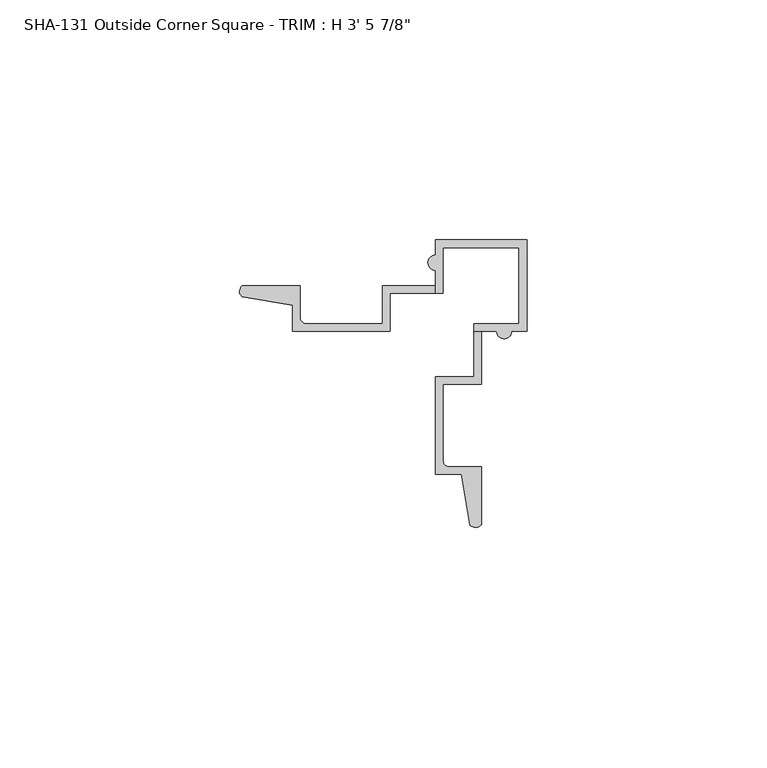
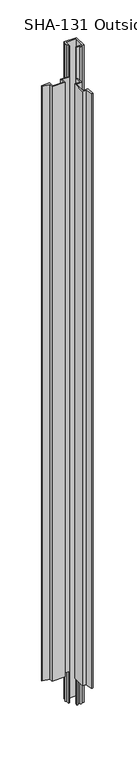
"""IFC4 building model written with IfcOpenShell, lengths in millimetres: proxy geometry."""

from ifc_helpers import new_model, si_unit, frame, origin, place, context, project, spatial, polyline, circle_curve, source, transform, mapped, element, save
from ifc_brep_helpers import plane_surface, cylinder_surface, revolved_surface, advanced_brep


def proxy_40e3e2f9(model_context):
    return source(origin(), model_context, "Body", "AdvancedBrep", [
        advanced_brep(
        [(23.2694099, 10.5950686, 1063.625), (26.4190099, 10.5950686, 1063.625), (29.6067099, 10.5950686, 1063.625), (29.6067099, 29.6450686, 1063.625), (10.5567099, 29.6450686, 1063.625), (10.5567099, 26.4573686, 1063.625), (10.5567099, 23.3077686, 1063.625), (10.5567099, 18.5452686, 1063.625), (12.1315099, 18.5452686, 1063.625), (12.1315099, 27.9991664, 1063.625), (27.9608077, 27.9991664, 1063.625), (27.9608077, 12.1698686, 1063.625), (18.5069099, 12.1698686, 1063.625), (18.5069099, 10.5950686, 1063.625), (18.5069099, 12.1698686, 0.0), (27.9608077, 12.1698686, 0.0), (27.9608077, 27.9991664, 0.0), (12.1315099, 27.9991664, 0.0), (12.1315099, 18.5452686, 0.0), (10.5567099, 18.5452686, 0.0), (10.5567099, 23.3077686, 0.0), (10.5567099, 26.4573686, 0.0), (10.5567099, 29.6450686, 0.0), (29.6067099, 29.6450686, 0.0), (29.6067099, 10.5950686, 0.0), (26.4190099, 10.5950686, 0.0), (23.2694099, 10.5950686, 0.0), (20.0817099, 10.5950686, 0.0), (20.0817099, 9.0202686, 0.0), (18.5069099, 9.0202686, 0.0), (20.0817099, -29.7559555, 1012.825), (20.0817099, -29.7559555, 50.8), (20.0817099, -17.6711524, 50.8), (20.0817099, -17.6711524, 1012.825), (13.4015099, -17.6711524, 50.8), (13.4015099, -17.6711524, 1012.825), (12.1315099, -16.4011524, 50.8), (12.1315099, -16.4011524, 1012.825), (12.1315099, -0.5047314, 50.8), (12.1315099, -0.5047314, 1012.825), (20.0817099, -0.5047314, 50.8), (20.0817099, -0.5047314, 1012.825), (20.0817099, 10.5950686, 1012.825), (20.0817099, 9.0202686, 50.8), (18.5069099, 10.5950686, 1012.825), (10.5567099, 18.5452686, 50.8), (10.5567099, 20.1200686, 50.8), (10.5567099, 20.1200686, 1012.825), (10.5567099, 18.5452686, 1012.825), (-0.5430901, 20.1200686, 50.8), (-0.5430901, 20.1200686, 1012.825), (-0.5430901, 12.1698686, 50.8), (-0.5430901, 12.1698686, 1012.825), (-16.4395111, 12.1698686, 50.8), (-16.4395111, 12.1698686, 1012.825), (-17.7095111, 13.4398686, 50.8), (-17.7095111, 13.4398686, 1012.825), (-17.7095111, 20.1200686, 50.8), (-17.7095111, 20.1200686, 1012.825), (-29.7943143, 20.1200686, 50.8), (-29.7943143, 20.1200686, 1012.825), (-29.8603981, 17.7986994, 50.8), (-29.8603981, 17.7986994, 1012.825), (-19.2843111, 15.9877256, 50.8), (-19.2843111, 15.9877256, 1012.825), (-19.2843111, 10.5950686, 50.8), (-19.2843111, 10.5950686, 1012.825), (1.0317099, 10.5950686, 50.8), (1.0317099, 10.5950686, 1012.825), (1.0317099, 18.5452686, 50.8), (1.0317099, 18.5452686, 1012.825), (18.5069099, 9.0202686, 50.8), (18.5069099, 1.0700686, 50.8), (18.5069099, 1.0700686, 1012.825), (10.5567099, 1.0700686, 50.8), (10.5567099, 1.0700686, 1012.825), (10.5567099, -19.2459524, 50.8), (10.5567099, -19.2459524, 1012.825), (15.9493669, -19.2459524, 50.8), (15.9493669, -19.2459524, 1012.825), (17.7603407, -29.8220393, 50.8), (17.7603407, -29.8220393, 1012.825)],
        [
            (0, 1, circle_curve(frame((24.8442099, 10.5950686, 1063.625), z_axis=(0.0, 0.0, 1.0), x_axis=(1.0, 0.0, 0.0)), 1.5748)),
            (1, 2),
            (2, 3),
            (3, 4),
            (4, 5),
            (5, 6, circle_curve(frame((10.5567099, 24.8825686, 1063.625), z_axis=(0.0, 0.0, 1.0), x_axis=(1.0, 0.0, 0.0)), 1.5748)),
            (6, 7),
            (7, 8),
            (8, 9),
            (9, 10),
            (10, 11),
            (11, 12),
            (12, 13),
            (13, 0),
            (14, 15),
            (15, 16),
            (16, 17),
            (17, 18),
            (18, 19),
            (19, 20),
            (20, 21, circle_curve(frame((10.5567099, 24.8825686, 0.0), z_axis=(0.0, 0.0, -1.0), x_axis=(1.0, 0.0, 0.0)), 1.5748)),
            (21, 22),
            (22, 23),
            (23, 24),
            (24, 25),
            (25, 26, circle_curve(frame((24.8442099, 10.5950686, 0.0), z_axis=(0.0, 0.0, -1.0), x_axis=(1.0, 0.0, 0.0)), 1.5748)),
            (26, 27),
            (27, 28),
            (28, 29),
            (29, 14),
            (30, 31),
            (31, 32),
            (32, 33),
            (33, 30),
            (32, 34),
            (34, 35),
            (35, 33),
            (34, 36, circle_curve(frame((13.4015099, -16.4011524, 50.8), z_axis=(0.0, 0.0, -1.0), x_axis=(1.0, 0.0, 0.0)), 1.27)),
            (36, 37),
            (37, 35, circle_curve(frame((13.4015099, -16.4011524, 1012.825), z_axis=(0.0, 0.0, 1.0), x_axis=(1.0, 0.0, 0.0)), 1.27)),
            (36, 38),
            (38, 39),
            (39, 37),
            (38, 40),
            (40, 41),
            (41, 39),
            (27, 42),
            (42, 41),
            (40, 43),
            (43, 28),
            (26, 0),
            (13, 44),
            (44, 42),
            (25, 1),
            (24, 2),
            (23, 3),
            (22, 4),
            (21, 5),
            (20, 6),
            (19, 45),
            (45, 46),
            (46, 47),
            (47, 48),
            (48, 7),
            (46, 49),
            (49, 50),
            (50, 47),
            (49, 51),
            (51, 52),
            (52, 50),
            (51, 53),
            (53, 54),
            (54, 52),
            (53, 55, circle_curve(frame((-16.4395111, 13.4398686, 50.8), z_axis=(0.0, 0.0, -1.0), x_axis=(1.0, 0.0, 0.0)), 1.27)),
            (55, 56),
            (56, 54, circle_curve(frame((-16.4395111, 13.4398686, 1012.825), z_axis=(0.0, 0.0, 1.0), x_axis=(1.0, 0.0, 0.0)), 1.27)),
            (55, 57),
            (57, 58),
            (58, 56),
            (57, 59),
            (59, 60),
            (60, 58),
            (59, 61, circle_curve(frame((-28.7035566, 18.9273922, 50.8), z_axis=(0.0, 0.0, 1.0), x_axis=(1.0, 0.0, 0.0)), 1.6162393)),
            (61, 62),
            (62, 60, circle_curve(frame((-28.7035566, 18.9273922, 1012.825), z_axis=(0.0, 0.0, -1.0), x_axis=(1.0, 0.0, 0.0)), 1.6162393)),
            (61, 63),
            (63, 64),
            (64, 62),
            (63, 65),
            (65, 66),
            (66, 64),
            (65, 67),
            (67, 68),
            (68, 66),
            (67, 69),
            (69, 70),
            (70, 68),
            (18, 8),
            (48, 70),
            (69, 45),
            (17, 9),
            (16, 10),
            (15, 11),
            (14, 12),
            (29, 71),
            (71, 72),
            (72, 73),
            (73, 44),
            (72, 74),
            (74, 75),
            (75, 73),
            (74, 76),
            (76, 77),
            (77, 75),
            (76, 78),
            (78, 79),
            (79, 77),
            (78, 80),
            (80, 81),
            (81, 79),
            (30, 81, circle_curve(frame((18.8890334, -28.6651978, 1012.825), z_axis=(0.0, 0.0, -1.0), x_axis=(1.0, 0.0, 0.0)), 1.6162393)),
            (80, 31, circle_curve(frame((18.8890334, -28.6651978, 50.8), z_axis=(0.0, 0.0, 1.0), x_axis=(1.0, 0.0, 0.0)), 1.6162393)),
            (43, 71),
        ],
        [
            plane_surface(frame((20.0817099, -29.7559555, 1063.625), z_axis=(0.0, 0.0, 1.0), x_axis=(0.0, 1.0, 0.0))),
            plane_surface(frame((20.0817099, -29.7559555, 0.0), z_axis=(0.0, 0.0, -1.0), x_axis=(0.0, -1.0, 0.0))),
            plane_surface(frame((20.0817099, -29.7559555, 1063.625), z_axis=(1.0, 0.0, 0.0), x_axis=(0.0, 0.0, -1.0))),
            plane_surface(frame((20.0817099, -17.6711524, 1063.625), z_axis=(0.0, 1.0, 0.0), x_axis=(0.0, 0.0, -1.0))),
            revolved_surface(polyline([(14.6715099, -16.4011524, 50.8), (14.6715099, -16.4011524, 1012.825)]), (13.4015099, -16.4011524, 0.0), (0.0, 0.0, -1.0)),
            plane_surface(frame((12.1315099, -16.4011524, 1063.625), z_axis=(1.0, 0.0, 0.0), x_axis=(0.0, 0.0, -1.0))),
            plane_surface(frame((12.1315099, -0.5047314, 1063.625), z_axis=(0.0, -1.0, 0.0), x_axis=(0.0, 0.0, -1.0))),
            plane_surface(frame((20.0817099, -0.5047314, 1063.625), z_axis=(1.0, 0.0, 0.0), x_axis=(0.0, 0.0, -1.0))),
            plane_surface(frame((20.0817099, 10.5950686, 1063.625), z_axis=(0.0, -1.0, 0.0), x_axis=(0.0, 0.0, -1.0))),
            cylinder_surface(frame((24.8442099, 10.5950686, 0.0), z_axis=(0.0, 0.0, 1.0), x_axis=(1.0, 0.0, 0.0)), 1.5748),
            plane_surface(frame((26.4190099, 10.5950686, 1063.625), z_axis=(0.0, -1.0, 0.0), x_axis=(0.0, 0.0, -1.0))),
            plane_surface(frame((29.6067099, 10.5950686, 1063.625), z_axis=(1.0, 0.0, 0.0), x_axis=(0.0, 0.0, -1.0))),
            plane_surface(frame((29.6067099, 29.6450686, 1063.625), z_axis=(0.0, 1.0, 0.0), x_axis=(0.0, 0.0, -1.0))),
            plane_surface(frame((10.5567099, 29.6450686, 1063.625), z_axis=(-1.0, 0.0, 0.0), x_axis=(0.0, 0.0, -1.0))),
            cylinder_surface(frame((10.5567099, 24.8825686, 0.0), z_axis=(0.0, 0.0, 1.0), x_axis=(1.0, 0.0, 0.0)), 1.5748),
            plane_surface(frame((10.5567099, 23.3077686, 1063.625), z_axis=(-1.0, 0.0, 0.0), x_axis=(0.0, 0.0, -1.0))),
            plane_surface(frame((10.5567099, 20.1200686, 1063.625), z_axis=(0.0, 1.0, 0.0), x_axis=(0.0, 0.0, -1.0))),
            plane_surface(frame((-0.5430901, 20.1200686, 1063.625), z_axis=(-1.0, 0.0, 0.0), x_axis=(0.0, 0.0, -1.0))),
            plane_surface(frame((-0.5430901, 12.1698686, 1063.625), z_axis=(0.0, 1.0, 0.0), x_axis=(0.0, 0.0, -1.0))),
            revolved_surface(polyline([(-15.169511100000001, 13.4398686, 50.8), (-15.169511100000001, 13.4398686, 1012.825)]), (-16.4395111, 13.4398686, 0.0), (0.0, 0.0, -1.0)),
            plane_surface(frame((-17.7095111, 13.4398686, 1063.625), z_axis=(1.0, 0.0, 0.0), x_axis=(0.0, 0.0, -1.0))),
            plane_surface(frame((-17.7095111, 20.1200686, 1063.625), z_axis=(0.0, 1.0, 0.0), x_axis=(0.0, 0.0, -1.0))),
            cylinder_surface(frame((-28.7035566, 18.9273922, 0.0), z_axis=(0.0, 0.0, 1.0), x_axis=(1.0, 0.0, 0.0)), 1.6162393),
            plane_surface(frame((-29.8603981, 17.7986994, 1063.625), z_axis=(-0.1687764314038584, -0.9856543593991652, 0.0), x_axis=(0.0, 0.0, -1.0))),
            plane_surface(frame((-19.2843111, 15.9877256, 1063.625), z_axis=(-1.0, 0.0, 0.0), x_axis=(0.0, 0.0, -1.0))),
            plane_surface(frame((-19.2843111, 10.5950686, 1063.625), z_axis=(0.0, -1.0, 0.0), x_axis=(0.0, 0.0, -1.0))),
            plane_surface(frame((1.0317099, 10.5950686, 1063.625), z_axis=(1.0, 0.0, 0.0), x_axis=(0.0, 0.0, -1.0))),
            plane_surface(frame((1.0317099, 18.5452686, 1063.625), z_axis=(0.0, -1.0, 0.0), x_axis=(0.0, 0.0, -1.0))),
            plane_surface(frame((12.1315099, 18.5452686, 1063.625), z_axis=(1.0, 0.0, 0.0), x_axis=(0.0, 0.0, -1.0))),
            plane_surface(frame((12.1315099, 27.9991664, 1063.625), z_axis=(0.0, -1.0, 0.0), x_axis=(0.0, 0.0, -1.0))),
            plane_surface(frame((27.9608077, 27.9991664, 1063.625), z_axis=(-1.0, 0.0, 0.0), x_axis=(0.0, 0.0, -1.0))),
            plane_surface(frame((27.9608077, 12.1698686, 1063.625), z_axis=(0.0, 1.0, 0.0), x_axis=(0.0, 0.0, -1.0))),
            plane_surface(frame((18.5069099, 12.1698686, 1063.625), z_axis=(-1.0, 0.0, 0.0), x_axis=(0.0, 0.0, -1.0))),
            plane_surface(frame((18.5069099, 1.0700686, 1063.625), z_axis=(0.0, 1.0, 0.0), x_axis=(0.0, 0.0, -1.0))),
            plane_surface(frame((10.5567099, 1.0700686, 1063.625), z_axis=(-1.0, 0.0, 0.0), x_axis=(0.0, 0.0, -1.0))),
            plane_surface(frame((10.5567099, -19.2459524, 1063.625), z_axis=(0.0, -1.0, 0.0), x_axis=(0.0, 0.0, -1.0))),
            plane_surface(frame((15.9493669, -19.2459524, 1063.625), z_axis=(-0.9856543593990748, -0.16877643140438725, 0.0), x_axis=(0.0, 0.0, -1.0))),
            cylinder_surface(frame((18.8890334, -28.6651978, 0.0), z_axis=(0.0, 0.0, 1.0), x_axis=(1.0, 0.0, 0.0)), 1.6162393),
            plane_surface(frame((20.0817099, -30.4647293, 1012.825), z_axis=(0.0, 0.0, 1.0), x_axis=(-1.0, 0.0, 0.0))),
            plane_surface(frame((20.0817099, 9.0202686, 0.0), z_axis=(0.0, -1.0, 0.0), x_axis=(-1.0, 0.0, 0.0))),
            plane_surface(frame((20.0817099, 9.0202686, 50.8), z_axis=(0.0, 0.0, -1.0), x_axis=(-1.0, 0.0, 0.0))),
            plane_surface(frame((-30.3789729, 10.5950686, 1012.825), z_axis=(0.0, 0.0, 1.0), x_axis=(0.0, 1.0, 0.0))),
            plane_surface(frame((10.5567099, 10.5950686, 50.8), z_axis=(0.0, 0.0, -1.0), x_axis=(0.0, 1.0, 0.0))),
        ],
        [
            (0, [[1, 2, 3, 4, 5, 6, 7, 8, 9, 10, 11, 12, 13, 14]]),
            (1, [[15, 16, 17, 18, 19, 20, 21, 22, 23, 24, 25, 26, 27, 28, 29, 30]]),
            (2, [[31, 32, 33, 34]]),
            (3, [[-33, 35, 36, 37]]),
            (4, [[-36, 38, 39, 40]]),
            (5, [[-39, 41, 42, 43]]),
            (6, [[-42, 44, 45, 46]]),
            (7, [[-28, 47, 48, -45, 49, 50]]),
            (8, [[-27, 51, -14, 52, 53, -47]]),
            (9, [[-1, -51, -26, 54]]),
            (10, [[-2, -54, -25, 55]]),
            (11, [[-3, -55, -24, 56]]),
            (12, [[-4, -56, -23, 57]]),
            (13, [[-5, -57, -22, 58]]),
            (14, [[-6, -58, -21, 59]]),
            (15, [[-59, -20, 60, 61, 62, 63, 64, -7]]),
            (16, [[-62, 65, 66, 67]]),
            (17, [[-66, 68, 69, 70]]),
            (18, [[-69, 71, 72, 73]]),
            (19, [[-72, 74, 75, 76]]),
            (20, [[-75, 77, 78, 79]]),
            (21, [[-78, 80, 81, 82]]),
            (22, [[-81, 83, 84, 85]]),
            (23, [[-84, 86, 87, 88]]),
            (24, [[-87, 89, 90, 91]]),
            (25, [[-90, 92, 93, 94]]),
            (26, [[-93, 95, 96, 97]]),
            (27, [[98, -8, -64, 99, -96, 100, -60, -19]]),
            (28, [[-9, -98, -18, 101]]),
            (29, [[-10, -101, -17, 102]]),
            (30, [[-11, -102, -16, 103]]),
            (31, [[-12, -103, -15, 104]]),
            (32, [[-104, -30, 105, 106, 107, 108, -52, -13]]),
            (33, [[-107, 109, 110, 111]]),
            (34, [[-110, 112, 113, 114]]),
            (35, [[-113, 115, 116, 117]]),
            (36, [[-116, 118, 119, 120]]),
            (37, [[-31, 121, -119, 122]]),
            (38, [[-53, -108, -111, -114, -117, -120, -121, -34, -37, -40, -43, -46, -48]]),
            (39, [[123, -105, -29, -50]]),
            (40, [[-123, -49, -44, -41, -38, -35, -32, -122, -118, -115, -112, -109, -106]]),
            (41, [[-63, -67, -70, -73, -76, -79, -82, -85, -88, -91, -94, -97, -99]]),
            (42, [[-61, -100, -95, -92, -89, -86, -83, -80, -77, -74, -71, -68, -65]]),
        ],
    ),
    ])


if __name__ == "__main__":
    model = new_model("IFC4")
    model_context = context("Model", 3, world=origin())
    ifc_project = project(units=[si_unit("LENGTHUNIT", "METRE", prefix="MILLI")], contexts=[model_context])
    site = spatial("IfcSite", under=ifc_project)
    building = spatial("IfcBuilding", under=site)
    placement = place(None, origin())
    proxy_shape = proxy_40e3e2f9(model_context)
    element("IfcBuildingElementProxy", 1, Name="SHA-131 Outside Corner Square - TRIM : H 3' 5 7/8\"", ObjectType="SHA-131 Outside Corner Square - TRIM : H 3' 5 7/8\"", at=placement, inside=building, context=model_context, shape_type="MappedRepresentation", body=[
        mapped(proxy_shape, transform((0.0, 0.0, 0.0), x_axis=(1.0, 0.0, 0.0), y_axis=(0.0, 1.0, 0.0), z_axis=(0.0, 0.0, 1.0))),
    ])
    save(model, "model.ifc")
